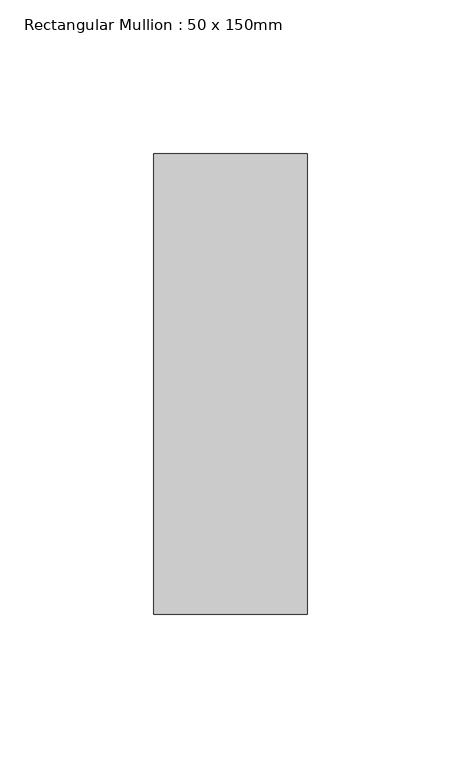
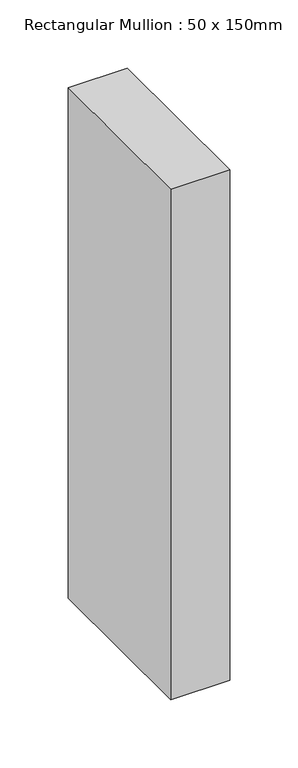
"""IFC4 building model written with IfcOpenShell, lengths in millimetres: member geometry, Rectangular Mullion : 50 x 150mm."""

from ifc_helpers import new_model, si_unit, frame, origin, place, context, project, spatial, polyline, outline, extrude, source, transform, mapped, element, save


def rectangular_mullion_50_x_150mm_d782c0c2(model_context):
    return source(origin(), model_context, "Body", "SweptSolid", [
        extrude(outline(polyline([(25.0, 75.0), (25.0, -75.0), (-25.0, -75.0), (-25.0, 75.0), (25.0, 75.0)])), frame((0.0, 0.0, -456.6159424), z_axis=(0.0, 0.0, 1.0), x_axis=(1.0, 0.0, 0.0)), (0.0, 0.0, 1.0), 456.6159424),
    ])


if __name__ == "__main__":
    model = new_model("IFC4")
    model_context = context("Model", 3, world=origin())
    ifc_project = project(units=[si_unit("LENGTHUNIT", "METRE", prefix="MILLI")], contexts=[model_context])
    site = spatial("IfcSite", under=ifc_project)
    building = spatial("IfcBuilding", under=site)
    placement = place(None, origin())
    rectangular_mullion_50_x_150mm_shape = rectangular_mullion_50_x_150mm_d782c0c2(model_context)
    element("IfcMember", 1, ObjectType="Rectangular Mullion : 50 x 150mm", at=placement, inside=building, context=model_context, shape_type="MappedRepresentation", body=[
        mapped(rectangular_mullion_50_x_150mm_shape, transform((0.0, 0.0, 0.0), x_axis=(1.0, 0.0, 0.0), y_axis=(0.0, 1.0, 0.0), z_axis=(0.0, 0.0, 1.0))),
    ])
    save(model, "model.ifc")
